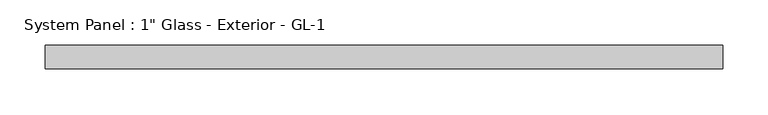
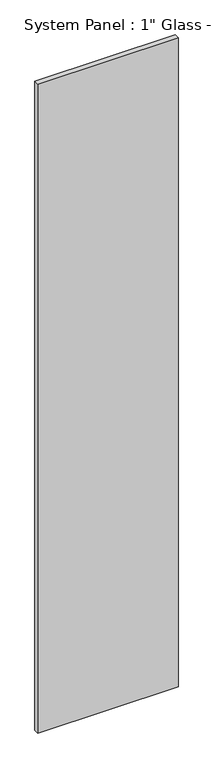
"""IFC4 building model written with IfcOpenShell, lengths in millimetres: plate geometry."""

import ifcopenshell
import ifcopenshell.guid

model = None  # the IFC model being written
_history = None  # IfcOwnerHistory: only IFC2X3 demands one
_inside = {}  # id of a spatial element -> (the spatial element, [elements in it])
_under = {}  # id of a project, library or spatial element -> (it, [spatial elements below it])
_declared = {}  # id of a project -> (the project, [libraries it declares])
_typed = {}  # id of a type object -> (the type object, [elements of that type])
_made_of = {}  # id of a material, layer set ... -> (it, [elements and type objects made of it])


def new_model(schema):
    """Start an empty IFC model of exactly this schema.

    Asked for "IFC4X3", IfcOpenShell would pick the latest addendum, in which some entities
    have other attributes; the version numbers below select the first issue.
    IFC2X3 requires an IfcOwnerHistory on every rooted entity: one is made here for all.
    """
    global model, _history
    if schema == "IFC4X3":
        model = ifcopenshell.file(schema_version=(4, 3, 0, 0))
    else:
        model = ifcopenshell.file(schema=schema)
    _inside.clear()
    _under.clear()
    _declared.clear()
    _typed.clear()
    _made_of.clear()
    _history = None
    if model.schema == "IFC2X3":
        org = make("IfcOrganization", Name="unknown")
        user = make(
            "IfcPersonAndOrganization",
            ThePerson=make("IfcPerson", FamilyName="unknown"),
            TheOrganization=org,
        )
        app = make(
            "IfcApplication",
            ApplicationDeveloper=org,
            Version="unknown",
            ApplicationFullName="unknown",
            ApplicationIdentifier="unknown",
        )
        _history = make(
            "IfcOwnerHistory",
            OwningUser=user,
            OwningApplication=app,
            ChangeAction="ADDED",
            CreationDate=0,
        )
    return model


def make(cls, **values):
    """One entity of the class cls with the attributes given. An attribute that is None is left unset."""
    return model.create_entity(
        cls, **{name: value for name, value in values.items() if value is not None}
    )


def rooted(cls, **values):
    """An entity with a GlobalId (a new one), such as an element, a storey or a relation."""
    return make(cls, GlobalId=ifcopenshell.guid.new(), OwnerHistory=_history, **values)


def si_unit(unit_type, name, prefix=None):
    """IfcSIUnit, for example si_unit("LENGTHUNIT", "METRE", prefix="MILLI")."""
    return make("IfcSIUnit", UnitType=unit_type, Prefix=prefix, Name=name)


def assignment(units):
    """IfcUnitAssignment: the units of a project."""
    return None if units is None else make("IfcUnitAssignment", Units=units)


def point(xyz):
    """IfcCartesianPoint."""
    return None if xyz is None else make("IfcCartesianPoint", Coordinates=xyz)


def direction(xyz):
    """IfcDirection."""
    return None if xyz is None else make("IfcDirection", DirectionRatios=xyz)


def frame(location, z_axis=None, x_axis=None):
    """IfcAxis2Placement3D, a coordinate frame: its origin and axes. An axis left out is left unset."""
    return make(
        "IfcAxis2Placement3D",
        Location=point(location),
        Axis=direction(z_axis),
        RefDirection=direction(x_axis),
    )


def origin():
    """The frame at (0, 0, 0) with its axes left unset."""
    return frame((0.0, 0.0, 0.0))


def origin_with_axes():
    """The frame at (0, 0, 0) with the z axis (0, 0, 1) and the x axis (1, 0, 0) written out."""
    return frame((0.0, 0.0, 0.0), z_axis=(0.0, 0.0, 1.0), x_axis=(1.0, 0.0, 0.0))


def place(relative_to, where):
    """IfcLocalPlacement: puts the frame where relative to a parent placement (None: the world)."""
    return make(
        "IfcLocalPlacement", PlacementRelTo=relative_to, RelativePlacement=where
    )


def context(
    kind, dimensions, precision=None, world=None, true_north=None, identifier=None
):
    """IfcGeometricRepresentationContext, for example the 3D "Model" context."""
    return make(
        "IfcGeometricRepresentationContext",
        ContextIdentifier=identifier,
        ContextType=kind,
        CoordinateSpaceDimension=dimensions,
        Precision=precision,
        WorldCoordinateSystem=world,
        TrueNorth=true_north,
    )


def project(units=None, contexts=None):
    """IfcProject with its units and contexts."""
    return rooted(
        "IfcProject",
        Name="project",
        RepresentationContexts=contexts,
        UnitsInContext=assignment(units),
    )


def spatial(cls, under=None, at=None, **own):
    """A site, building, storey or space (cls), placed at a placement, below another one or the project."""
    s = rooted(cls, ObjectPlacement=at, **own)
    if under is not None:
        _under.setdefault(under.id(), (under, []))[1].append(s)
    return s


def polyline(points):
    """IfcPolyline through the points."""
    return make("IfcPolyline", Points=[point(p) for p in points])


def outline(outer, holes=None, kind="AREA"):
    """IfcArbitraryClosedProfileDef: a profile drawn as a closed curve; with holes, ...WithVoids."""
    if holes is None:
        return make("IfcArbitraryClosedProfileDef", ProfileType=kind, OuterCurve=outer)
    return make(
        "IfcArbitraryProfileDefWithVoids",
        ProfileType=kind,
        OuterCurve=outer,
        InnerCurves=holes,
    )


def extrude(swept, where, along, depth):
    """IfcExtrudedAreaSolid: the profile swept, set in the frame where, extruded along a direction by depth."""
    return make(
        "IfcExtrudedAreaSolid",
        SweptArea=swept,
        Position=where,
        ExtrudedDirection=direction(along),
        Depth=depth,
    )


def shape(context_of_items, identifier, shape_type, items):
    """IfcShapeRepresentation: the items that make up one representation, for example the "Body"."""
    return make(
        "IfcShapeRepresentation",
        ContextOfItems=context_of_items,
        RepresentationIdentifier=identifier,
        RepresentationType=shape_type,
        Items=items,
    )


def source(mapping_origin, context_of_items, identifier, shape_type, items):
    """IfcRepresentationMap: a shape defined once, which mapped items show again and again."""
    return make(
        "IfcRepresentationMap",
        MappingOrigin=mapping_origin,
        MappedRepresentation=shape(context_of_items, identifier, shape_type, items),
    )


def transform(
    local_origin,
    x_axis=None,
    y_axis=None,
    z_axis=None,
    scale=None,
    scale2=None,
    scale3=None,
    uniform=True,
):
    """IfcCartesianTransformationOperator3D, or its non-uniform kind. x_axis, y_axis, z_axis: its Axis1, 2, 3."""
    if uniform:
        return make(
            "IfcCartesianTransformationOperator3D",
            Axis1=direction(x_axis),
            Axis2=direction(y_axis),
            LocalOrigin=point(local_origin),
            Scale=scale,
            Axis3=direction(z_axis),
        )
    return make(
        "IfcCartesianTransformationOperator3DnonUniform",
        Axis1=direction(x_axis),
        Axis2=direction(y_axis),
        LocalOrigin=point(local_origin),
        Scale=scale,
        Axis3=direction(z_axis),
        Scale2=scale2,
        Scale3=scale3,
    )


def mapped(mapping_source, mapping_target):
    """IfcMappedItem: shows the shape of a source again, moved by a transform."""
    return make(
        "IfcMappedItem", MappingSource=mapping_source, MappingTarget=mapping_target
    )


def made_of(thing, what):
    """Note that an element or type object is made of a material, layer set ...; save() writes the relation."""
    if what is not None:
        _made_of.setdefault(what.id(), (what, []))[1].append(thing)
    return thing


def element(
    cls,
    number,
    at=None,
    inside=None,
    cuts=None,
    type_object=None,
    material=None,
    context=None,
    identifier="Body",
    shape_type=None,
    held_by="IfcProductDefinitionShape",
    body=None,
    shapes=None,
    **own,
):
    """One element of the class cls, such as IfcWall. Its Tag is "e" and its number.

    at: its placement. inside: the storey or other place that contains it. cuts: it is an
    opening in that element (IfcRelVoidsElement). A single representation is given by context,
    identifier, shape_type and body (its items); several are given by shapes. held_by: the class
    of the entity that holds the representations. save() writes the other relations.
    """
    e = rooted(cls, Tag="e%d" % number, ObjectPlacement=at, **own)
    if body is not None:
        shapes = [shape(context, identifier, shape_type, body)]
    if shapes is not None:
        e.Representation = make(held_by, Representations=shapes)
    if inside is not None:
        _inside.setdefault(inside.id(), (inside, []))[1].append(e)
    if cuts is not None:
        rooted(
            "IfcRelVoidsElement", RelatingBuildingElement=cuts, RelatedOpeningElement=e
        )
    if type_object is not None:
        _typed.setdefault(type_object.id(), (type_object, []))[1].append(e)
    return made_of(e, material)


def aggregate(whole, parts):
    """IfcRelAggregates: a whole, such as a stair, and the parts it consists of."""
    return rooted("IfcRelAggregates", RelatingObject=whole, RelatedObjects=parts)


def save(model, path):
    """Write the relations noted so far, then the file.

    IfcRelAggregates (storeys below a building ...), IfcRelContainedInSpatialStructure (elements
    in a storey), IfcRelDefinesByType, IfcRelAssociatesMaterial and IfcRelDeclares: one each for
    every whole, place, type object, material and project.
    """
    for whole, parts in _under.values():
        aggregate(whole, parts)
    for where, things in _inside.values():
        rooted(
            "IfcRelContainedInSpatialStructure",
            RelatedElements=things,
            RelatingStructure=where,
        )
    for kind, things in _typed.values():
        rooted("IfcRelDefinesByType", RelatedObjects=things, RelatingType=kind)
    for what, things in _made_of.values():
        rooted("IfcRelAssociatesMaterial", RelatedObjects=things, RelatingMaterial=what)
    for by, libraries in _declared.values():
        rooted("IfcRelDeclares", RelatingContext=by, RelatedDefinitions=libraries)
    model.write(path)


def plate_482c9e5e(model_context):
    return source(origin(), model_context, "Body", "SweptSolid", [
        extrude(outline(polyline([(372.2050581, 12.7), (-372.2050581, 12.7), (-372.2050581, 38.1), (372.2050581, 38.1), (372.2050581, 12.7)])), origin_with_axes(), (0.0, 0.0, 1.0), 3638.55),
    ])


if __name__ == "__main__":
    model = new_model("IFC4")
    model_context = context("Model", 3, world=origin())
    ifc_project = project(units=[si_unit("LENGTHUNIT", "METRE", prefix="MILLI")], contexts=[model_context])
    site = spatial("IfcSite", under=ifc_project)
    building = spatial("IfcBuilding", under=site)
    placement = place(None, origin())
    plate_shape = plate_482c9e5e(model_context)
    element("IfcPlate", 1, ObjectType="System Panel : 1\" Glass - Exterior - GL-1", at=placement, inside=building, context=model_context, shape_type="MappedRepresentation", body=[
        mapped(plate_shape, transform((0.0, 0.0, 0.0), x_axis=(1.0, 0.0, 0.0), y_axis=(0.0, 1.0, 0.0), z_axis=(0.0, 0.0, 1.0))),
    ])
    save(model, "model.ifc")
